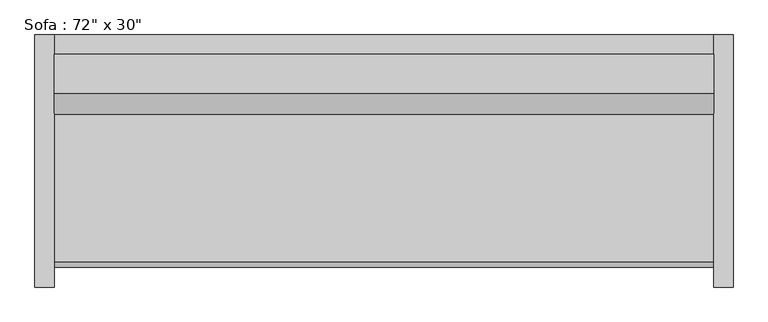
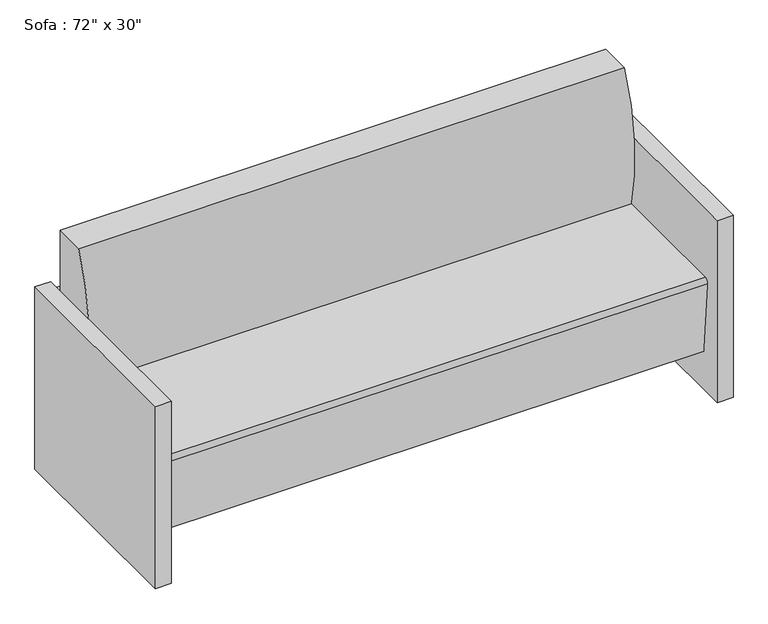
"""IFC4 building model written with IfcOpenShell, lengths in millimetres: furniture geometry."""

from ifc_helpers import new_model, si_unit, point, frame, frame_2d, origin, origin_with_axes, place, context, project, spatial, polyline, circle_curve, trimmed, segment, composite_curve, outline, extrude, source, transform, mapped, element, save


def furniture_a4ffab56(model_context):
    return source(origin(), model_context, "Body", "SweptSolid", [
        extrude(outline(polyline([(-793.2295082, 425.5540984), (-793.2295082, 476.3540984), (933.9704918, 476.3540984), (933.9704918, 425.5540984), (-793.2295082, 425.5540984)])), frame((0.0, 0.0, 457.2), z_axis=(0.0, 0.0, 1.0), x_axis=(1.0, 0.0, 0.0)), (0.0, 0.0, 1.0), 127.0),
        extrude(outline(polyline([(-793.2295082, 425.5540984), (-793.2295082, 476.3540984), (933.9704918, 476.3540984), (933.9704918, 425.5540984), (-793.2295082, 425.5540984)])), frame((0.0, 0.0, 266.7), z_axis=(0.0, 0.0, 1.0), x_axis=(1.0, 0.0, 0.0)), (0.0, 0.0, 1.0), 127.0),
        extrude(outline(polyline([(-793.2295082, 425.5540984), (-793.2295082, 476.3540984), (933.9704918, 476.3540984), (933.9704918, 425.5540984), (-793.2295082, 425.5540984)])), frame((0.0, 0.0, 76.2), z_axis=(0.0, 0.0, 1.0), x_axis=(1.0, 0.0, 0.0)), (0.0, 0.0, 1.0), 127.0),
        extrude(outline(composite_curve([segment(trimmed(circle_curve(frame_2d((926.517198, 542.5300036)), 660.4), [point((286.1764935, 381.0))], [point((323.9540984, 812.8))], False, "CARTESIAN"), True, "CONTINUOUS"), segment(polyline([(323.9540984, 812.8), (425.5540984, 812.8), (425.5540984, 127.9665467), (-111.108343, 127.9665467), (-132.0379563, 367.1931221)]), True, "CONTINUOUS"), segment(trimmed(circle_curve(frame_2d((-119.3862837, 368.3)), 12.7), [point((-132.0379563, 367.1931221))], [point((-119.3862837, 381.0))], False, "CARTESIAN"), True, "CONTINUOUS"), segment(polyline([(-119.3862837, 381.0), (286.1764935, 381.0)]), True, "CONTINUOUS")], self_intersect=False)), frame((-793.2295082, 0.0, 0.0), z_axis=(1.0, 0.0, 0.0), x_axis=(0.0, 1.0, 0.0)), (0.0, 0.0, 1.0), 1727.2),
        extrude(outline(polyline([(-844.0295082, 476.3540984), (-793.2295082, 476.3540984), (-793.2295082, -184.0459016), (-844.0295082, -184.0459016), (-844.0295082, 476.3540984)])), origin_with_axes(), (0.0, 0.0, 1.0), 609.6),
        extrude(outline(polyline([(984.7704918, 476.3540984), (984.7704918, -184.0459016), (933.9704918, -184.0459016), (933.9704918, 476.3540984), (984.7704918, 476.3540984)])), origin_with_axes(), (0.0, 0.0, 1.0), 609.6),
    ])


if __name__ == "__main__":
    model = new_model("IFC4")
    model_context = context("Model", 3, world=origin())
    ifc_project = project(units=[si_unit("LENGTHUNIT", "METRE", prefix="MILLI")], contexts=[model_context])
    site = spatial("IfcSite", under=ifc_project)
    building = spatial("IfcBuilding", under=site)
    placement = place(None, origin())
    furniture_shape = furniture_a4ffab56(model_context)
    element("IfcFurniture", 1, ObjectType="Sofa : 72\" x 30\"", at=placement, inside=building, context=model_context, shape_type="MappedRepresentation", body=[
        mapped(furniture_shape, transform((0.0, 0.0, 0.0), x_axis=(1.0, 0.0, 0.0), y_axis=(0.0, 1.0, 0.0), z_axis=(0.0, 0.0, 1.0))),
    ])
    save(model, "model.ifc")
